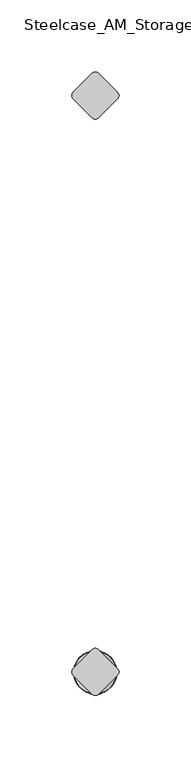
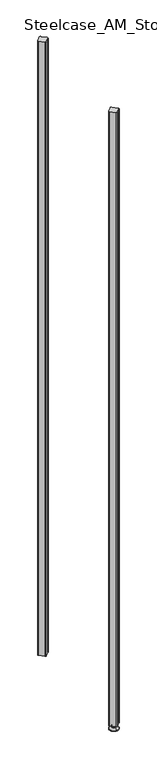
"""IFC4 building model written with IfcOpenShell, lengths in millimetres: furniture geometry, Steelcase_AM_Storage_FlexActiveFrames_FrameExtension : 5 High."""

from ifc_helpers import new_model, si_unit, point, frame, frame_2d, origin, place, context, project, spatial, polyline, circle_curve, ellipse_curve, trimmed, segment, composite_curve, outline, extrude, source, transform, mapped, element, save
from ifc_brep_helpers import plane_surface, cylinder_surface, revolved_surface, advanced_brep


def steelcase_am_storage_flexactiveframes_frameextension_5_high_ec617bb5(model_context):
    return source(origin(), model_context, "Body", "SolidModel", [
        advanced_brep(
        [(400.05, -400.05, 15.9766), (400.05, -396.050341, 15.9766), (400.05, -404.049659, 15.9766), (400.05, -396.050341, 12.6000054), (400.05, -404.049659, 12.6000054), (400.05, -394.1898545, 12.6000074), (400.05, -405.9101455, 12.6000074), (400.05, -393.5548538, 11.9650074), (400.05, -406.5451462, 11.9650074), (400.05, -393.5548538, 9.0000124), (400.05, -406.5451462, 9.0000124), (400.05, -391.3078024, 9.0000124), (400.05, -408.7921976, 9.0000124), (400.05, -385.3439923, 2.3275608), (400.05, -414.7560077, 2.3275608), (400.05, -386.385399, 0.0), (400.05, -413.714601, 0.0), (400.05, -400.05, 0.0)],
        [
            (0, 1),
            (1, 2, circle_curve(frame((400.05, -400.05, 15.9766), z_axis=(0.0, 0.0, 1.0), x_axis=(0.0, 1.0, 0.0)), 3.999659)),
            (2, 0),
            (2, 1, circle_curve(frame((400.05, -400.05, 15.9766), z_axis=(0.0, 0.0, 1.0), x_axis=(0.0, 1.0, 0.0)), 3.999659)),
            (1, 3),
            (3, 4, circle_curve(frame((400.05, -400.05, 12.6000054), z_axis=(0.0, 0.0, 1.0), x_axis=(0.0, 1.0, 0.0)), 3.999659)),
            (4, 2),
            (4, 3, circle_curve(frame((400.05, -400.05, 12.6000054), z_axis=(0.0, 0.0, 1.0), x_axis=(0.0, 1.0, 0.0)), 3.999659)),
            (3, 5),
            (5, 6, circle_curve(frame((400.05, -400.05, 12.6000074), z_axis=(0.0, 0.0, 1.0), x_axis=(0.0, 1.0, 0.0)), 5.8601455)),
            (6, 4),
            (6, 5, circle_curve(frame((400.05, -400.05, 12.6000074), z_axis=(0.0, 0.0, 1.0), x_axis=(0.0, 1.0, 0.0)), 5.8601455)),
            (5, 7, circle_curve(frame((400.05, -394.1898538, 11.9650074), z_axis=(-1.0, 0.0, 0.0), x_axis=(0.0, 1.0, 0.0)), 0.635)),
            (7, 8, circle_curve(frame((400.05, -400.05, 11.9650074), z_axis=(0.0, 0.0, 1.0), x_axis=(0.0, 1.0, 0.0)), 6.4951462)),
            (8, 6, circle_curve(frame((400.05, -405.9101462, 11.9650074), z_axis=(-1.0, 0.0, 0.0), x_axis=(0.0, -1.0, 0.0)), 0.635)),
            (8, 7, circle_curve(frame((400.05, -400.05, 11.9650074), z_axis=(0.0, 0.0, 1.0), x_axis=(0.0, 1.0, 0.0)), 6.4951462)),
            (7, 9),
            (9, 10, circle_curve(frame((400.05, -400.05, 9.0000124), z_axis=(0.0, 0.0, 1.0), x_axis=(0.0, 1.0, 0.0)), 6.4951462)),
            (10, 8),
            (10, 9, circle_curve(frame((400.05, -400.05, 9.0000124), z_axis=(0.0, 0.0, 1.0), x_axis=(0.0, 1.0, 0.0)), 6.4951462)),
            (9, 11),
            (11, 12, circle_curve(frame((400.05, -400.05, 9.0000124), z_axis=(0.0, 0.0, 1.0), x_axis=(0.0, 1.0, 0.0)), 8.7421976)),
            (12, 10),
            (12, 11, circle_curve(frame((400.05, -400.05, 9.0000124), z_axis=(0.0, 0.0, 1.0), x_axis=(0.0, 1.0, 0.0)), 8.7421976)),
            (11, 13),
            (13, 14, circle_curve(frame((400.05, -400.05, 2.3275608), z_axis=(0.0, 0.0, 1.0), x_axis=(0.0, 1.0, 0.0)), 14.7060077)),
            (14, 12),
            (14, 13, circle_curve(frame((400.05, -400.05, 2.3275608), z_axis=(0.0, 0.0, 1.0), x_axis=(0.0, 1.0, 0.0)), 14.7060077)),
            (13, 15, circle_curve(frame((400.05, -386.385399, 1.3967556), z_axis=(-1.0, 0.0, 0.0), x_axis=(0.0, 1.0, 0.0)), 1.3967556)),
            (15, 16, circle_curve(frame((400.05, -400.05, 0.0), z_axis=(0.0, 0.0, 1.0), x_axis=(0.0, 1.0, 0.0)), 13.664601)),
            (16, 14, circle_curve(frame((400.05, -413.714601, 1.3967556), z_axis=(-1.0, 0.0, 0.0), x_axis=(0.0, -1.0, 0.0)), 1.3967556)),
            (16, 15, circle_curve(frame((400.05, -400.05, 0.0), z_axis=(0.0, 0.0, 1.0), x_axis=(0.0, 1.0, 0.0)), 13.664601)),
            (15, 17),
            (17, 16),
        ],
        [
            plane_surface(frame((400.05, -400.05, 15.9766), z_axis=(0.0, 0.0, 1.0), x_axis=(0.0, 1.0, 0.0))),
            cylinder_surface(frame((400.05, -400.05, -4.132372), z_axis=(0.0, 0.0, 1.0), x_axis=(0.0, 1.0, 0.0)), 3.999659),
            plane_surface(frame((400.05, -400.05, 12.6000074), z_axis=(0.0, 0.0, 1.0), x_axis=(0.0, 1.0, 0.0))),
            revolved_surface(trimmed(ellipse_curve(frame((400.05, -394.1898538, 11.9650074), z_axis=(1.0, 0.0, 0.0), x_axis=(0.0, 1.0, 0.0)), 0.635, 0.635), [point((400.05, -393.5548538, 11.9650074))], [point((400.05, -394.1898545, 12.6000074))], True, "CARTESIAN"), (400.05, -400.05, -4.132372), (0.0, 0.0, 1.0)),
            cylinder_surface(frame((400.05, -400.05, -4.132372), z_axis=(0.0, 0.0, 1.0), x_axis=(0.0, 1.0, 0.0)), 6.4951462),
            plane_surface(frame((400.05, -400.05, 9.0000124), z_axis=(0.0, 0.0, 1.0), x_axis=(0.0, 1.0, 0.0))),
            revolved_surface(polyline([(400.05, -385.3439923, 2.3275608), (400.05, -391.3078024, 9.0000124)]), (400.05, -400.05, -4.132372), (0.0, 0.0, 1.0)),
            revolved_surface(trimmed(ellipse_curve(frame((400.05, -386.385399, 1.3967556), z_axis=(1.0, 0.0, 0.0), x_axis=(0.0, 1.0, 0.0)), 1.3967556, 1.3967556), [point((400.05, -386.385399, 0.0))], [point((400.05, -385.3439923, 2.3275608))], True, "CARTESIAN"), (400.05, -400.05, -4.132372), (0.0, 0.0, 1.0)),
            plane_surface(frame((400.05, -400.05, 0.0), z_axis=(0.0, 0.0, -1.0), x_axis=(0.0, 1.0, 0.0))),
        ],
        [
            (0, [[1, 2, 3]]),
            (0, [[-3, 4, -1]]),
            (1, [[-2, 5, 6, 7]]),
            (1, [[-4, -7, 8, -5]]),
            (2, [[-6, 9, 10, 11]]),
            (2, [[-8, -11, 12, -9]]),
            (3, [[-10, 13, 14, 15]]),
            (3, [[-12, -15, 16, -13]]),
            (4, [[-14, 17, 18, 19]]),
            (4, [[-16, -19, 20, -17]]),
            (5, [[-18, 21, 22, 23]]),
            (5, [[-20, -23, 24, -21]]),
            (6, [[-22, 25, 26, 27]]),
            (6, [[-24, -27, 28, -25]]),
            (7, [[-26, 29, 30, 31]]),
            (7, [[-28, -31, 32, -29]]),
            (8, [[-30, 33, 34]]),
            (8, [[-32, -34, -33]]),
        ],
    ),
        extrude(outline(composite_curve([segment(trimmed(circle_curve(frame_2d((400.05, -13.1875415)), 3.175), [point((402.295064, -15.4326055))], [point((397.804936, -15.4326055))], False, "CARTESIAN"), True, "CONTINUOUS"), segment(polyline([(397.804936, -15.4326055), (384.6173945, -2.245064)]), True, "CONTINUOUS"), segment(trimmed(circle_curve(frame_2d((386.8624585, 0.0)), 3.175), [point((384.6173945, -2.245064))], [point((384.6173945, 2.245064))], False, "CARTESIAN"), True, "CONTINUOUS"), segment(polyline([(384.6173945, 2.245064), (397.804936, 15.4326055)]), True, "CONTINUOUS"), segment(trimmed(circle_curve(frame_2d((400.05, 13.1875415)), 3.175), [point((397.804936, 15.4326055))], [point((402.295064, 15.4326055))], False, "CARTESIAN"), True, "CONTINUOUS"), segment(polyline([(402.295064, 15.4326055), (415.4826055, 2.245064)]), True, "CONTINUOUS"), segment(trimmed(circle_curve(frame_2d((413.2375415, 0.0)), 3.175), [point((415.4826055, 2.245064))], [point((415.4826055, -2.245064))], False, "CARTESIAN"), True, "CONTINUOUS"), segment(polyline([(415.4826055, -2.245064), (402.295064, -15.4326055)]), True, "CONTINUOUS")], self_intersect=False)), frame((0.0, 0.0, 15.9766), z_axis=(0.0, 0.0, 1.0), x_axis=(1.0, 0.0, 0.0)), (0.0, 0.0, 1.0), 2111.2734),
        extrude(outline(composite_curve([segment(polyline([(402.295064, -384.6173945), (415.4826055, -397.804936)]), True, "CONTINUOUS"), segment(trimmed(circle_curve(frame_2d((413.2375415, -400.05)), 3.175), [point((415.4826055, -397.804936))], [point((415.4826055, -402.295064))], False, "CARTESIAN"), True, "CONTINUOUS"), segment(polyline([(415.4826055, -402.295064), (402.295064, -415.4826055)]), True, "CONTINUOUS"), segment(trimmed(circle_curve(frame_2d((400.05, -413.2375415)), 3.175), [point((402.295064, -415.4826055))], [point((397.804936, -415.4826055))], False, "CARTESIAN"), True, "CONTINUOUS"), segment(polyline([(397.804936, -415.4826055), (384.6173945, -402.295064)]), True, "CONTINUOUS"), segment(trimmed(circle_curve(frame_2d((386.8624585, -400.05)), 3.175), [point((384.6173945, -402.295064))], [point((384.6173945, -397.804936))], False, "CARTESIAN"), True, "CONTINUOUS"), segment(polyline([(384.6173945, -397.804936), (397.804936, -384.6173945)]), True, "CONTINUOUS"), segment(trimmed(circle_curve(frame_2d((400.05, -386.8624585)), 3.175), [point((397.804936, -384.6173945))], [point((402.295064, -384.6173945))], False, "CARTESIAN"), True, "CONTINUOUS")], self_intersect=False)), frame((0.0, 0.0, 15.9766), z_axis=(0.0, 0.0, 1.0), x_axis=(1.0, 0.0, 0.0)), (0.0, 0.0, 1.0), 2111.2734),
    ])


if __name__ == "__main__":
    model = new_model("IFC4")
    model_context = context("Model", 3, world=origin())
    ifc_project = project(units=[si_unit("LENGTHUNIT", "METRE", prefix="MILLI")], contexts=[model_context])
    site = spatial("IfcSite", under=ifc_project)
    building = spatial("IfcBuilding", under=site)
    placement = place(None, origin())
    steelcase_am_storage_flexactiveframes_frameextension_5_high_shape = steelcase_am_storage_flexactiveframes_frameextension_5_high_ec617bb5(model_context)
    element("IfcFurniture", 1, ObjectType="Steelcase_AM_Storage_FlexActiveFrames_FrameExtension : 5 High", at=placement, inside=building, context=model_context, shape_type="MappedRepresentation", body=[
        mapped(steelcase_am_storage_flexactiveframes_frameextension_5_high_shape, transform((0.0, 0.0, 0.0), x_axis=(1.0, 0.0, 0.0), y_axis=(0.0, 1.0, 0.0), z_axis=(0.0, 0.0, 1.0))),
    ])
    save(model, "model.ifc")
